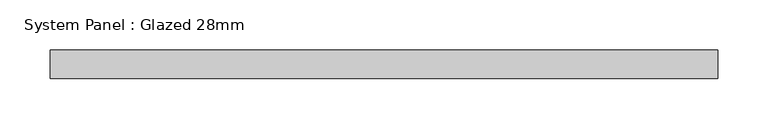
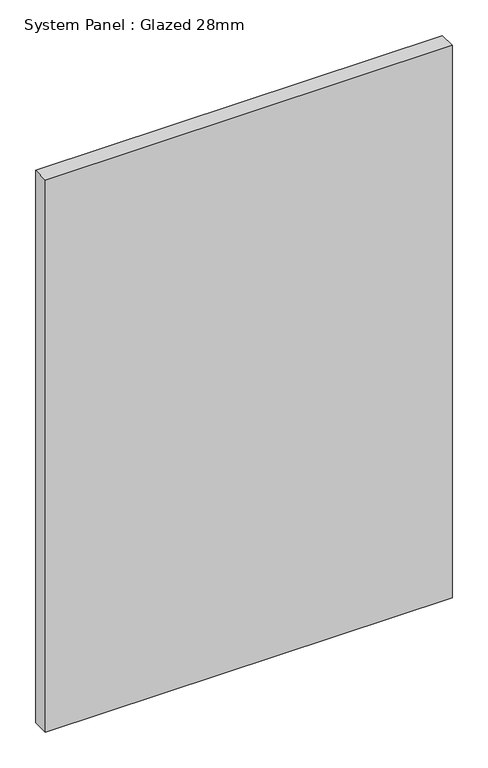
"""IFC4 building model written with IfcOpenShell, lengths in millimetres: plate geometry, System Panel : Glazed 28mm."""

from ifc_helpers import new_model, si_unit, origin, origin_with_axes, place, context, project, spatial, polyline, outline, extrude, source, transform, mapped, element, save


def system_panel_glazed_28mm_358174d1(model_context):
    return source(origin(), model_context, "Body", "SweptSolid", [
        extrude(outline(polyline([(330.5586576, -14.0), (-330.5586576, -14.0), (-330.5586576, 14.0), (330.5586576, 14.0), (330.5586576, -14.0)])), origin_with_axes(), (0.0, 0.0, 1.0), 948.6794583),
    ])


if __name__ == "__main__":
    model = new_model("IFC4")
    model_context = context("Model", 3, world=origin())
    ifc_project = project(units=[si_unit("LENGTHUNIT", "METRE", prefix="MILLI")], contexts=[model_context])
    site = spatial("IfcSite", under=ifc_project)
    building = spatial("IfcBuilding", under=site)
    placement = place(None, origin())
    system_panel_glazed_28mm_shape = system_panel_glazed_28mm_358174d1(model_context)
    element("IfcPlate", 1, ObjectType="System Panel : Glazed 28mm", at=placement, inside=building, context=model_context, shape_type="MappedRepresentation", body=[
        mapped(system_panel_glazed_28mm_shape, transform((0.0, 0.0, 0.0), x_axis=(1.0, 0.0, 0.0), y_axis=(0.0, 1.0, 0.0), z_axis=(0.0, 0.0, 1.0))),
    ])
    save(model, "model.ifc")
